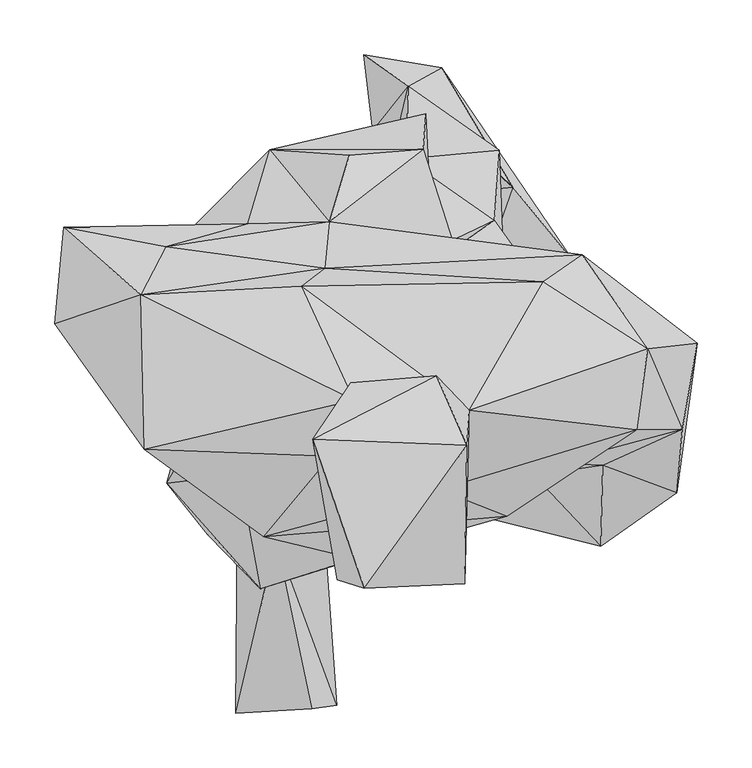
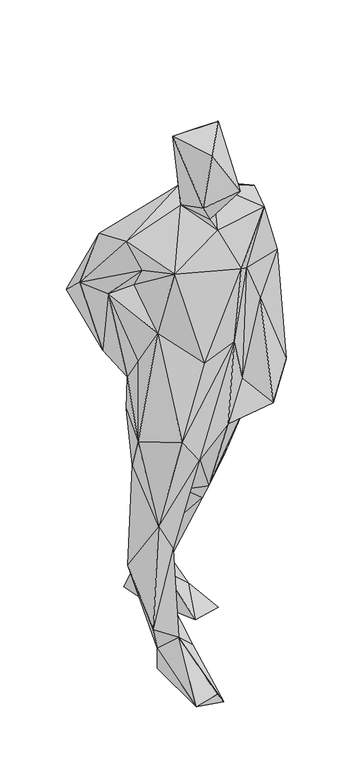
"""IFC4 building model written with IfcOpenShell, lengths in millimetres: geographic element geometry."""

from ifc_helpers import new_model, si_unit, origin, place, context, project, spatial, faceted_brep, source, transform, mapped, element, save


def geographic_element_0a02694c(model_context):
    return source(origin(), model_context, "Body", "Brep", [
        faceted_brep([(-44.8409984, -230.1560016, 8.0099999), (-137.1809972, -237.459001, 28.6229994), (-115.5809969, 13.41, -2.33), (-135.5459971, -18.9110001, 91.9710014), (-100.4919993, -78.8900023, 152.9239993), (-67.9349965, -233.1120045, 42.7730004), (-61.2099983, -5.1299999, 7.009), (-55.9540012, -76.7370006, 111.0799969), (-72.3220026, 26.8719994, 213.1620023), (-164.447991, -48.1689976, 181.6859968), (-196.1130029, 37.1059994, 359.8569885), (-116.8749989, 65.7789997, 430.7279832), (-77.0969977, 13.5089996, 401.2770007), (-106.4719992, -58.233998, 441.253001), (-162.7989987, -74.1519993, 544.3720154), (-166.3449982, 64.9349979, 668.9329661), (-68.5499973, 50.9949991, 526.3429815), (-41.8610009, -4.7619999, 547.7499894), (-46.7230001, -99.0950006, 740.6669764), (-200.7279967, -27.1829997, 815.4269952), (-115.0839985, -123.4809965, 840.8729926), (86.6689969, -60.7330009, 1072.3019706), (71.8989959, -53.5049991, 797.4799773), (-8.6040002, -15.0269995, 714.8429663), (20.0730001, 103.5509991, 499.1469918), (79.4539963, 68.8379994, 511.2270054), (196.7740035, -84.7330008, 842.3370019), (148.718996, 8.0310003, 760.3939678), (135.5279965, -19.649999, 907.9480059), (108.2359986, 153.4579973, 409.8949978), (131.3209964, 74.7419959, 590.2339743), (177.9389955, 52.5900007, 873.6849915), (225.8959981, -38.0299981, 808.7959786), (266.3719919, -35.7349995, 937.5470165), (198.5499983, -10.5429998, 1150.9029723), (155.3820054, -8.7970001, 1266.0460316), (271.2390091, 22.1559999, 1269.5989452), (229.367, 21.6039994, 1426.9380393), (110.8219982, -57.1859993, 1307.2140055), (-27.9709991, -96.1859959, 1061.5090001), (-111.5699993, -75.9889996, 1377.8920003), (48.9059979, -33.1449989, 1443.847996), (239.7199989, 96.0680011, 1450.5699694), (76.1969974, 39.762001, 1542.8979206), (-50.6590002, -2.445, 1545.6359195), (7.5730001, -60.4600005, 1511.4079527), (-44.5320005, -115.5529977, 1601.0559599), (71.9589955, -118.9379975, 1619.515995), (-19.5989997, -123.2469961, 1771.857955), (-67.0119963, 13.2560002, 1772.7509518), (74.008002, 7.7590001, 1777.9949684), (-32.3439982, 64.9479992, 1707.0350436), (46.3000009, 71.2169996, 1727.7639891), (-29.4149999, 48.9259989, 1573.5499664), (-220.9549966, 3.7440001, 1479.4529494), (-224.1169932, 145.4779935, 1421.8100134), (-77.4229979, 153.0339997, 1439.0779556), (-184.4660021, -21.1939995, 1384.6889563), (-303.0990027, 118.6059997, 1299.8629648), (-238.0719901, 72.2530028, 1266.9039808), (-165.6559983, 56.5319986, 1281.92602), (-134.3680008, -19.4829998, 1153.1889296), (-209.4479922, 152.9220026, 1017.8710096), (-154.3759983, 52.1639989, 1024.229037), (-168.9619997, 87.3780016, 953.8720132), (-294.9729823, 207.0849959, 1220.3019707), (-174.6569999, 209.6250031, 1054.1559327), (-106.2759967, 278.1999971, 944.5649865), (-201.6539996, 189.418999, 1275.6960234), (-126.3470038, 210.2109913, 1181.70701), (-55.9169978, 169.8050031, 1329.6270206), (-51.6109982, 212.0669905, 1246.3739956), (-104.5289995, 155.6659918, 895.8359846), (36.7150004, 311.1830017, 883.525003), (-2.818, 254.4499902, 853.8179888), (-33.3090011, 272.9020085, 1116.8010097), (34.0629998, 278.6599959, 1025.3720157), (-142.059995, 138.6449916, 804.8459788), (41.5830011, 173.0409988, 825.3160017), (42.1349997, 200.8119946, 889.7579798), (65.3650008, 181.0310014, 991.2299987), (148.6060005, 144.6000022, 741.4870171), (-29.7120005, 113.895996, 731.7129879), (22.3489997, 177.0160027, 634.3650143), (99.2819953, 213.6300031, 517.7850063), (140.7050026, 122.0259949, 1035.2070204), (272.1349861, 72.3879999, 1055.7709802), (179.4919945, 181.7920036, 1355.0859522), (195.4379952, 152.3109954, 1254.3139303), (284.8949993, 101.0439979, 1256.9149577), (144.0960002, 157.0869963, 1460.9379588), (32.2189998, 235.6599987, 142.2529948), (76.6189983, 279.3860103, 147.6590019), (-3.498, 236.0909999, 254.9760012), (103.8499983, 277.741995, 363.1730035), (116.2409992, 243.9800024, 65.2369998), (20.3199999, 336.5539867, 149.9489974), (18.5689998, 269.9679997, 404.4530044), (-12.2339994, 295.7809829, 31.2659997), (51.2499989, 353.3849971, -0.494), (-20.1319994, 365.0029853, 26.0369998), (80.6979974, 143.7309963, 14.4880002), (171.8679943, 175.5959966, 3.9849998), (-18.1629991, 128.3709987, 597.8819654)], [[[0, 1, 2]], [[1, 3, 2]], [[4, 1, 5]], [[5, 1, 0]], [[4, 3, 1]], [[0, 2, 6]], [[7, 0, 6]], [[0, 7, 4]], [[4, 5, 0]], [[7, 6, 2]], [[3, 8, 2]], [[2, 8, 7]], [[4, 9, 3]], [[10, 8, 3]], [[9, 10, 3]], [[11, 8, 10]], [[11, 12, 8]], [[12, 4, 8]], [[8, 4, 7]], [[13, 4, 12]], [[13, 9, 4]], [[14, 10, 9]], [[14, 9, 13]], [[14, 15, 10]], [[15, 11, 10]], [[15, 16, 11]], [[17, 11, 16]], [[17, 12, 11]], [[17, 13, 12]], [[18, 14, 13]], [[13, 17, 18]], [[19, 15, 14]], [[20, 19, 14]], [[18, 20, 14]], [[21, 20, 18]], [[22, 18, 23]], [[21, 18, 22]], [[18, 17, 23]], [[24, 17, 16]], [[23, 17, 24]], [[23, 24, 25]], [[22, 23, 25]], [[26, 22, 27]], [[21, 22, 28]], [[27, 22, 25]], [[28, 22, 26]], [[24, 29, 25]], [[30, 25, 29]], [[27, 25, 30]], [[31, 32, 27]], [[26, 27, 32]], [[31, 27, 30]], [[33, 26, 32]], [[34, 28, 26]], [[33, 34, 26]], [[35, 21, 28]], [[35, 28, 34]], [[35, 34, 36]], [[36, 34, 33]], [[37, 38, 35]], [[35, 38, 21]], [[37, 35, 36]], [[21, 39, 20]], [[21, 38, 39]], [[38, 40, 39]], [[41, 40, 38]], [[41, 38, 37]], [[37, 42, 43]], [[42, 37, 36]], [[37, 43, 41]], [[41, 44, 40]], [[45, 44, 41]], [[43, 45, 41]], [[46, 44, 45]], [[47, 46, 45]], [[47, 45, 43]], [[48, 49, 46]], [[46, 49, 44]], [[48, 46, 47]], [[43, 50, 47]], [[50, 48, 47]], [[49, 48, 50]], [[51, 44, 49]], [[49, 52, 51]], [[49, 50, 52]], [[50, 43, 52]], [[52, 43, 53]], [[51, 52, 53]], [[44, 51, 53]], [[54, 53, 55]], [[53, 56, 55]], [[44, 53, 54]], [[53, 43, 56]], [[40, 54, 57]], [[44, 54, 40]], [[54, 55, 58]], [[57, 54, 58]], [[58, 59, 57]], [[57, 59, 60]], [[40, 57, 60]], [[60, 61, 40]], [[40, 61, 39]], [[60, 59, 61]], [[58, 62, 59]], [[61, 59, 63]], [[59, 62, 64]], [[63, 59, 64]], [[58, 65, 62]], [[55, 65, 58]], [[65, 66, 62]], [[64, 62, 67]], [[67, 62, 66]], [[68, 65, 55]], [[69, 66, 65]], [[65, 68, 69]], [[56, 70, 55]], [[55, 70, 68]], [[70, 71, 68]], [[71, 69, 68]], [[71, 67, 69]], [[66, 69, 67]], [[67, 72, 64]], [[67, 73, 74]], [[67, 74, 72]], [[71, 75, 67]], [[67, 76, 73]], [[75, 76, 67]], [[72, 77, 64]], [[77, 72, 78]], [[78, 72, 74]], [[74, 79, 78]], [[73, 79, 74]], [[76, 79, 73]], [[76, 80, 79]], [[75, 71, 76]], [[71, 80, 76]], [[79, 81, 78]], [[79, 80, 81]], [[82, 78, 83]], [[77, 78, 82]], [[83, 78, 84]], [[78, 81, 84]], [[31, 30, 81]], [[81, 29, 84]], [[81, 30, 29]], [[80, 31, 81]], [[71, 85, 80]], [[85, 31, 80]], [[86, 31, 85]], [[31, 33, 32]], [[33, 31, 86]], [[87, 85, 71]], [[87, 88, 85]], [[88, 86, 85]], [[70, 87, 71]], [[42, 89, 87]], [[42, 87, 90]], [[87, 89, 88]], [[90, 87, 70]], [[89, 86, 88]], [[89, 33, 86]], [[89, 36, 33]], [[42, 36, 89]], [[43, 42, 90]], [[43, 90, 56]], [[56, 90, 70]], [[29, 91, 92]], [[29, 93, 91]], [[29, 92, 94]], [[29, 24, 93]], [[84, 29, 94]], [[92, 91, 95]], [[94, 92, 96]], [[96, 92, 95]], [[97, 94, 96]], [[97, 84, 94]], [[83, 84, 97]], [[83, 97, 93]], [[93, 97, 96]], [[93, 96, 98]], [[96, 99, 100]], [[95, 99, 96]], [[98, 96, 100]], [[91, 98, 101]], [[99, 98, 100]], [[98, 99, 101]], [[91, 93, 98]], [[102, 101, 99]], [[99, 95, 102]], [[91, 101, 95]], [[95, 101, 102]], [[24, 83, 93]], [[103, 83, 24]], [[16, 103, 24]], [[82, 83, 103]], [[15, 82, 103]], [[15, 103, 16]], [[82, 15, 77]], [[77, 15, 19]], [[19, 64, 77]], [[61, 19, 20]], [[61, 63, 19]], [[63, 64, 19]], [[39, 61, 20]]]),
    ])


if __name__ == "__main__":
    model = new_model("IFC4")
    model_context = context("Model", 3, world=origin())
    ifc_project = project(units=[si_unit("LENGTHUNIT", "METRE", prefix="MILLI")], contexts=[model_context])
    site = spatial("IfcSite", under=ifc_project)
    building = spatial("IfcBuilding", under=site)
    placement = place(None, origin())
    geographic_element_shape = geographic_element_0a02694c(model_context)
    element("IfcGeographicElement", 1, at=placement, inside=building, context=model_context, shape_type="MappedRepresentation", body=[
        mapped(geographic_element_shape, transform((0.0, 0.0, 0.0), x_axis=(1.0, 0.0, 0.0), y_axis=(0.0, 1.0, 0.0), z_axis=(0.0, 0.0, 1.0))),
    ])
    save(model, "model.ifc")
